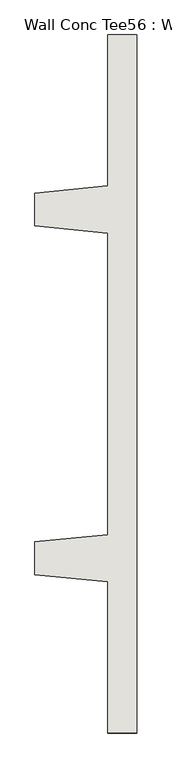
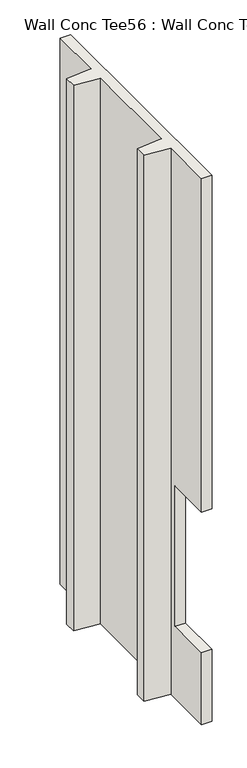
"""IFC4 building model written with IfcOpenShell, lengths in millimetres: wall geometry, Wall Conc Tee56 : Wall Conc Tee."""

import ifcopenshell
import ifcopenshell.guid

model = None  # the IFC model being written
_history = None  # IfcOwnerHistory: only IFC2X3 demands one
_inside = {}  # id of a spatial element -> (the spatial element, [elements in it])
_under = {}  # id of a project, library or spatial element -> (it, [spatial elements below it])
_declared = {}  # id of a project -> (the project, [libraries it declares])
_typed = {}  # id of a type object -> (the type object, [elements of that type])
_made_of = {}  # id of a material, layer set ... -> (it, [elements and type objects made of it])


def new_model(schema):
    """Start an empty IFC model of exactly this schema.

    Asked for "IFC4X3", IfcOpenShell would pick the latest addendum, in which some entities
    have other attributes; the version numbers below select the first issue.
    IFC2X3 requires an IfcOwnerHistory on every rooted entity: one is made here for all.
    """
    global model, _history
    if schema == "IFC4X3":
        model = ifcopenshell.file(schema_version=(4, 3, 0, 0))
    else:
        model = ifcopenshell.file(schema=schema)
    _inside.clear()
    _under.clear()
    _declared.clear()
    _typed.clear()
    _made_of.clear()
    _history = None
    if model.schema == "IFC2X3":
        org = make("IfcOrganization", Name="unknown")
        user = make(
            "IfcPersonAndOrganization",
            ThePerson=make("IfcPerson", FamilyName="unknown"),
            TheOrganization=org,
        )
        app = make(
            "IfcApplication",
            ApplicationDeveloper=org,
            Version="unknown",
            ApplicationFullName="unknown",
            ApplicationIdentifier="unknown",
        )
        _history = make(
            "IfcOwnerHistory",
            OwningUser=user,
            OwningApplication=app,
            ChangeAction="ADDED",
            CreationDate=0,
        )
    return model


def make(cls, **values):
    """One entity of the class cls with the attributes given. An attribute that is None is left unset."""
    return model.create_entity(
        cls, **{name: value for name, value in values.items() if value is not None}
    )


def rooted(cls, **values):
    """An entity with a GlobalId (a new one), such as an element, a storey or a relation."""
    return make(cls, GlobalId=ifcopenshell.guid.new(), OwnerHistory=_history, **values)


def si_unit(unit_type, name, prefix=None):
    """IfcSIUnit, for example si_unit("LENGTHUNIT", "METRE", prefix="MILLI")."""
    return make("IfcSIUnit", UnitType=unit_type, Prefix=prefix, Name=name)


def assignment(units):
    """IfcUnitAssignment: the units of a project."""
    return None if units is None else make("IfcUnitAssignment", Units=units)


def point(xyz):
    """IfcCartesianPoint."""
    return None if xyz is None else make("IfcCartesianPoint", Coordinates=xyz)


def direction(xyz):
    """IfcDirection."""
    return None if xyz is None else make("IfcDirection", DirectionRatios=xyz)


def frame(location, z_axis=None, x_axis=None):
    """IfcAxis2Placement3D, a coordinate frame: its origin and axes. An axis left out is left unset."""
    return make(
        "IfcAxis2Placement3D",
        Location=point(location),
        Axis=direction(z_axis),
        RefDirection=direction(x_axis),
    )


def origin():
    """The frame at (0, 0, 0) with its axes left unset."""
    return frame((0.0, 0.0, 0.0))


def place(relative_to, where):
    """IfcLocalPlacement: puts the frame where relative to a parent placement (None: the world)."""
    return make(
        "IfcLocalPlacement", PlacementRelTo=relative_to, RelativePlacement=where
    )


def context(
    kind, dimensions, precision=None, world=None, true_north=None, identifier=None
):
    """IfcGeometricRepresentationContext, for example the 3D "Model" context."""
    return make(
        "IfcGeometricRepresentationContext",
        ContextIdentifier=identifier,
        ContextType=kind,
        CoordinateSpaceDimension=dimensions,
        Precision=precision,
        WorldCoordinateSystem=world,
        TrueNorth=true_north,
    )


def project(units=None, contexts=None):
    """IfcProject with its units and contexts."""
    return rooted(
        "IfcProject",
        Name="project",
        RepresentationContexts=contexts,
        UnitsInContext=assignment(units),
    )


def spatial(cls, under=None, at=None, **own):
    """A site, building, storey or space (cls), placed at a placement, below another one or the project."""
    s = rooted(cls, ObjectPlacement=at, **own)
    if under is not None:
        _under.setdefault(under.id(), (under, []))[1].append(s)
    return s


def faces_of(points, faces, orient=None, outer=None):
    """IfcFace entities. A face is a list of loops; a loop is a list of indices into points, from 0.

    orient and outer hold one flag for each loop. By default every Orientation is true, the
    first loop of a face is its IfcFaceOuterBound and the others are IfcFaceBound.
    """
    made = []
    for i, loops in enumerate(faces):
        bounds = []
        for j, loop in enumerate(loops):
            is_outer = j == 0 if outer is None else outer[i][j]
            bounds.append(
                make(
                    "IfcFaceOuterBound" if is_outer else "IfcFaceBound",
                    Bound=make("IfcPolyLoop", Polygon=[points[k] for k in loop]),
                    Orientation=True if orient is None else orient[i][j],
                )
            )
        made.append(make("IfcFace", Bounds=bounds))
    return made


def faceted_brep(points, faces, orient=None, outer=None, voids=None):
    """IfcFacetedBrep: a solid bounded by flat faces; with voids (closed shells), ...WithVoids."""
    shared = [point(p) for p in points]
    hull = make("IfcClosedShell", CfsFaces=faces_of(shared, faces, orient, outer))
    if voids is None:
        return make("IfcFacetedBrep", Outer=hull)
    return make(
        "IfcFacetedBrepWithVoids",
        Outer=hull,
        Voids=[
            make(cls, CfsFaces=faces_of(shared, fs, o, b)) for cls, fs, o, b in voids
        ],
    )


def shape(context_of_items, identifier, shape_type, items):
    """IfcShapeRepresentation: the items that make up one representation, for example the "Body"."""
    return make(
        "IfcShapeRepresentation",
        ContextOfItems=context_of_items,
        RepresentationIdentifier=identifier,
        RepresentationType=shape_type,
        Items=items,
    )


def source(mapping_origin, context_of_items, identifier, shape_type, items):
    """IfcRepresentationMap: a shape defined once, which mapped items show again and again."""
    return make(
        "IfcRepresentationMap",
        MappingOrigin=mapping_origin,
        MappedRepresentation=shape(context_of_items, identifier, shape_type, items),
    )


def transform(
    local_origin,
    x_axis=None,
    y_axis=None,
    z_axis=None,
    scale=None,
    scale2=None,
    scale3=None,
    uniform=True,
):
    """IfcCartesianTransformationOperator3D, or its non-uniform kind. x_axis, y_axis, z_axis: its Axis1, 2, 3."""
    if uniform:
        return make(
            "IfcCartesianTransformationOperator3D",
            Axis1=direction(x_axis),
            Axis2=direction(y_axis),
            LocalOrigin=point(local_origin),
            Scale=scale,
            Axis3=direction(z_axis),
        )
    return make(
        "IfcCartesianTransformationOperator3DnonUniform",
        Axis1=direction(x_axis),
        Axis2=direction(y_axis),
        LocalOrigin=point(local_origin),
        Scale=scale,
        Axis3=direction(z_axis),
        Scale2=scale2,
        Scale3=scale3,
    )


def mapped(mapping_source, mapping_target):
    """IfcMappedItem: shows the shape of a source again, moved by a transform."""
    return make(
        "IfcMappedItem", MappingSource=mapping_source, MappingTarget=mapping_target
    )


def made_of(thing, what):
    """Note that an element or type object is made of a material, layer set ...; save() writes the relation."""
    if what is not None:
        _made_of.setdefault(what.id(), (what, []))[1].append(thing)
    return thing


def element(
    cls,
    number,
    at=None,
    inside=None,
    cuts=None,
    type_object=None,
    material=None,
    context=None,
    identifier="Body",
    shape_type=None,
    held_by="IfcProductDefinitionShape",
    body=None,
    shapes=None,
    **own,
):
    """One element of the class cls, such as IfcWall. Its Tag is "e" and its number.

    at: its placement. inside: the storey or other place that contains it. cuts: it is an
    opening in that element (IfcRelVoidsElement). A single representation is given by context,
    identifier, shape_type and body (its items); several are given by shapes. held_by: the class
    of the entity that holds the representations. save() writes the other relations.
    """
    e = rooted(cls, Tag="e%d" % number, ObjectPlacement=at, **own)
    if body is not None:
        shapes = [shape(context, identifier, shape_type, body)]
    if shapes is not None:
        e.Representation = make(held_by, Representations=shapes)
    if inside is not None:
        _inside.setdefault(inside.id(), (inside, []))[1].append(e)
    if cuts is not None:
        rooted(
            "IfcRelVoidsElement", RelatingBuildingElement=cuts, RelatedOpeningElement=e
        )
    if type_object is not None:
        _typed.setdefault(type_object.id(), (type_object, []))[1].append(e)
    return made_of(e, material)


def aggregate(whole, parts):
    """IfcRelAggregates: a whole, such as a stair, and the parts it consists of."""
    return rooted("IfcRelAggregates", RelatingObject=whole, RelatedObjects=parts)


def save(model, path):
    """Write the relations noted so far, then the file.

    IfcRelAggregates (storeys below a building ...), IfcRelContainedInSpatialStructure (elements
    in a storey), IfcRelDefinesByType, IfcRelAssociatesMaterial and IfcRelDeclares: one each for
    every whole, place, type object, material and project.
    """
    for whole, parts in _under.values():
        aggregate(whole, parts)
    for where, things in _inside.values():
        rooted(
            "IfcRelContainedInSpatialStructure",
            RelatedElements=things,
            RelatingStructure=where,
        )
    for kind, things in _typed.values():
        rooted("IfcRelDefinesByType", RelatedObjects=things, RelatingType=kind)
    for what, things in _made_of.values():
        rooted("IfcRelAssociatesMaterial", RelatedObjects=things, RelatingMaterial=what)
    for by, libraries in _declared.values():
        rooted("IfcRelDeclares", RelatingContext=by, RelatedDefinitions=libraries)
    model.write(path)


def wall_conc_tee56_wall_conc_tee_1b4d196e(model_context):
    return source(origin(), model_context, "Body", "Brep", [
        faceted_brep([(204051.6728488, 183579.2596581, 5884.1592564), (204051.6728488, 186017.6596581, 5884.1592564), (203950.0728488, 186017.6596581, 5884.1592564), (203950.0728488, 185490.6096581, 5884.1592564), (203696.0728488, 185465.2096581, 5884.1592564), (203696.0728488, 185350.9096581, 5884.1592564), (203950.0728488, 185325.5096581, 5884.1592564), (203950.0728488, 184271.4096581, 5884.1592564), (203696.0728488, 184246.0096581, 5884.1592564), (203696.0728488, 184131.7096581, 5884.1592564), (203950.0728488, 184106.3096581, 5884.1592564), (203950.0728488, 183579.2596581, 5884.1592564), (204051.6728488, 183579.2596581, 143.7592564), (203950.0728488, 183579.2596581, 143.7592564), (203950.0728488, 184106.3096581, 143.7592564), (203696.0728488, 184131.7096581, 143.7592564), (203696.0728488, 184246.0096581, 143.7592564), (203950.0728488, 184271.4096581, 143.7592564), (203950.0728488, 185325.5096581, 143.7592564), (203696.0728488, 185350.9096581, 143.7592564), (203696.0728488, 185465.2096581, 143.7592564), (203950.0728488, 185490.6096581, 143.7592564), (203950.0728488, 186017.6596581, 143.7592564), (204051.6728488, 186017.6596581, 143.7592564), (204051.6728488, 183579.2596581, 2378.9592564), (204051.6728488, 184036.4596581, 2378.9592564), (204051.6728488, 184036.4596581, 899.4092564), (204051.6728488, 183579.2596581, 899.4092564), (203950.0728488, 183579.2596581, 899.4092564), (203950.0728488, 184036.4596581, 899.4092564), (203950.0728488, 184036.4596581, 2378.9592564), (203950.0728488, 183579.2596581, 2378.9592564)], [[[0, 1, 2, 3, 4, 5, 6, 7, 8, 9, 10, 11]], [[12, 13, 14, 15, 16, 17, 18, 19, 20, 21, 22, 23]], [[1, 0, 24, 25, 26, 27, 12, 23]], [[2, 1, 23, 22]], [[3, 2, 22, 21]], [[4, 3, 21, 20]], [[5, 4, 20, 19]], [[6, 5, 19, 18]], [[7, 6, 18, 17]], [[8, 7, 17, 16]], [[9, 8, 16, 15]], [[10, 9, 15, 14]], [[11, 10, 14, 13, 28, 29, 30, 31]], [[0, 11, 31, 24]], [[13, 12, 27, 28]], [[30, 25, 24, 31]], [[26, 29, 28, 27]], [[25, 30, 29, 26]]]),
    ])


if __name__ == "__main__":
    model = new_model("IFC4")
    model_context = context("Model", 3, world=origin())
    ifc_project = project(units=[si_unit("LENGTHUNIT", "METRE", prefix="MILLI")], contexts=[model_context])
    site = spatial("IfcSite", under=ifc_project)
    building = spatial("IfcBuilding", under=site)
    placement = place(None, origin())
    wall_conc_tee56_wall_conc_tee_shape = wall_conc_tee56_wall_conc_tee_1b4d196e(model_context)
    element("IfcWall", 1, ObjectType="Wall Conc Tee56 : Wall Conc Tee", at=placement, inside=building, context=model_context, shape_type="MappedRepresentation", body=[
        mapped(wall_conc_tee56_wall_conc_tee_shape, transform((0.0, 0.0, 0.0), x_axis=(1.0, 0.0, 0.0), y_axis=(0.0, 1.0, 0.0), z_axis=(0.0, 0.0, 1.0))),
    ])
    save(model, "model.ifc")
